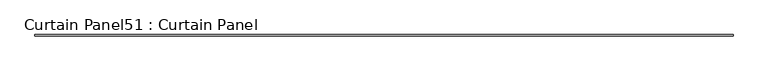
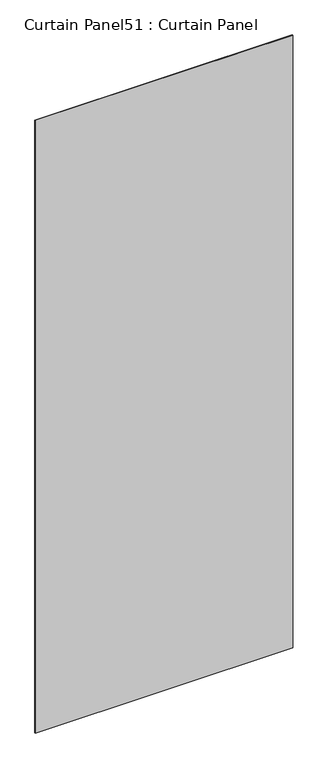
"""IFC4 building model written with IfcOpenShell, lengths in millimetres: plate geometry, Curtain Panel51 : Curtain Panel."""

from ifc_helpers import new_model, si_unit, frame, origin, place, context, project, spatial, polyline, outline, extrude, source, transform, mapped, element, save


def curtain_panel51_curtain_panel_604cb217(model_context):
    return source(origin(), model_context, "Body", "SweptSolid", [
        extrude(outline(polyline([(44459.3804088, 1708.4260947), (41025.3510966, 1708.4260947), (41025.3510966, 1714.7760947), (44459.3804088, 1714.7760947), (44459.3804088, 1708.4260947)])), frame((0.0, 0.0, 1320.3397628), z_axis=(0.0, 0.0, 1.0), x_axis=(1.0, 0.0, 0.0)), (0.0, 0.0, 1.0), 8635.0685723),
    ])


if __name__ == "__main__":
    model = new_model("IFC4")
    model_context = context("Model", 3, world=origin())
    ifc_project = project(units=[si_unit("LENGTHUNIT", "METRE", prefix="MILLI")], contexts=[model_context])
    site = spatial("IfcSite", under=ifc_project)
    building = spatial("IfcBuilding", under=site)
    placement = place(None, origin())
    curtain_panel51_curtain_panel_shape = curtain_panel51_curtain_panel_604cb217(model_context)
    element("IfcPlate", 1, ObjectType="Curtain Panel51 : Curtain Panel", at=placement, inside=building, context=model_context, shape_type="MappedRepresentation", body=[
        mapped(curtain_panel51_curtain_panel_shape, transform((0.0, 0.0, 0.0), x_axis=(1.0, 0.0, 0.0), y_axis=(0.0, 1.0, 0.0), z_axis=(0.0, 0.0, 1.0))),
    ])
    save(model, "model.ifc")
